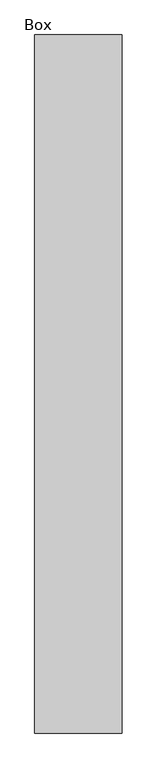
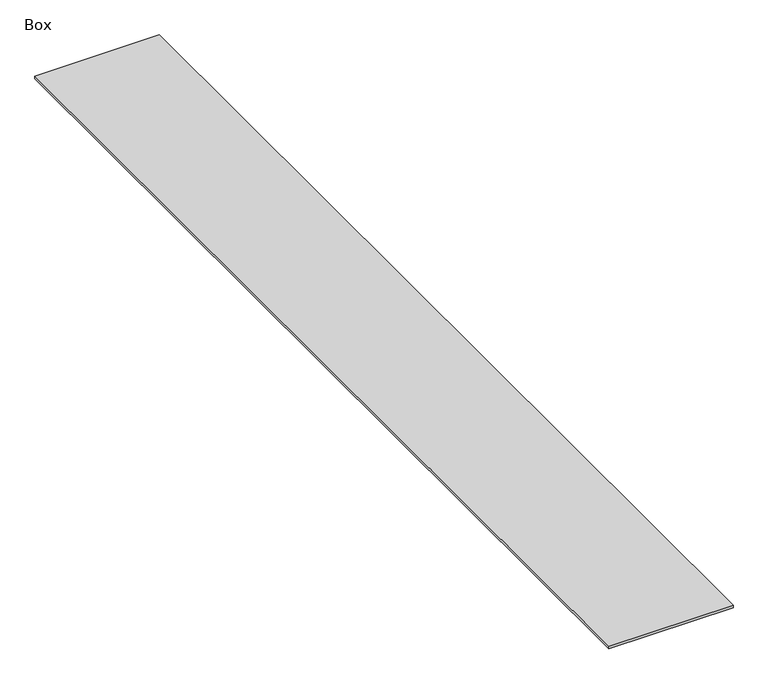
"""IFC4 building model written with IfcOpenShell, lengths in millimetres: furniture geometry, Box."""

from ifc_helpers import new_model, si_unit, origin, origin_with_axes, place, context, project, spatial, polyline, outline, extrude, source, transform, mapped, element, save


def box_7871ec63(model_context):
    return source(origin(), model_context, "Body", "SweptSolid", [
        extrude(outline(polyline([(520.7, 2238.6465234), (520.7, -2638.1534766), (-88.9, -2638.1534766), (-88.9, 2238.6465234), (520.7, 2238.6465234)])), origin_with_axes(), (0.0, 0.0, 1.0), 12.7),
    ])


if __name__ == "__main__":
    model = new_model("IFC4")
    model_context = context("Model", 3, world=origin())
    ifc_project = project(units=[si_unit("LENGTHUNIT", "METRE", prefix="MILLI")], contexts=[model_context])
    site = spatial("IfcSite", under=ifc_project)
    building = spatial("IfcBuilding", under=site)
    placement = place(None, origin())
    box_shape = box_7871ec63(model_context)
    element("IfcFurniture", 1, ObjectType="Box", at=placement, inside=building, context=model_context, shape_type="MappedRepresentation", body=[
        mapped(box_shape, transform((0.0, 0.0, 0.0), x_axis=(1.0, 0.0, 0.0), y_axis=(0.0, 1.0, 0.0), z_axis=(0.0, 0.0, 1.0))),
    ])
    save(model, "model.ifc")
